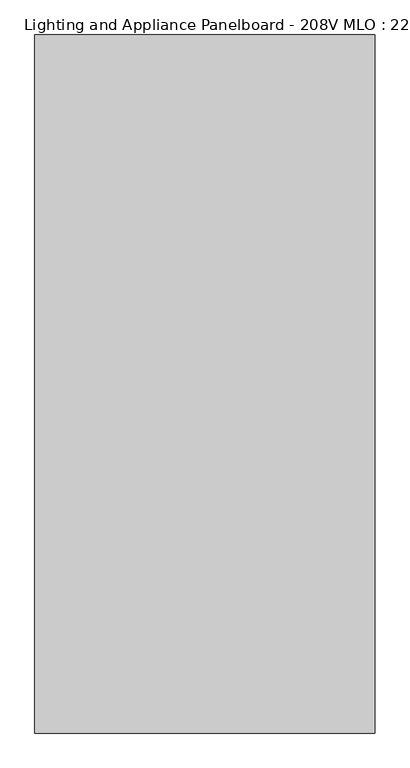
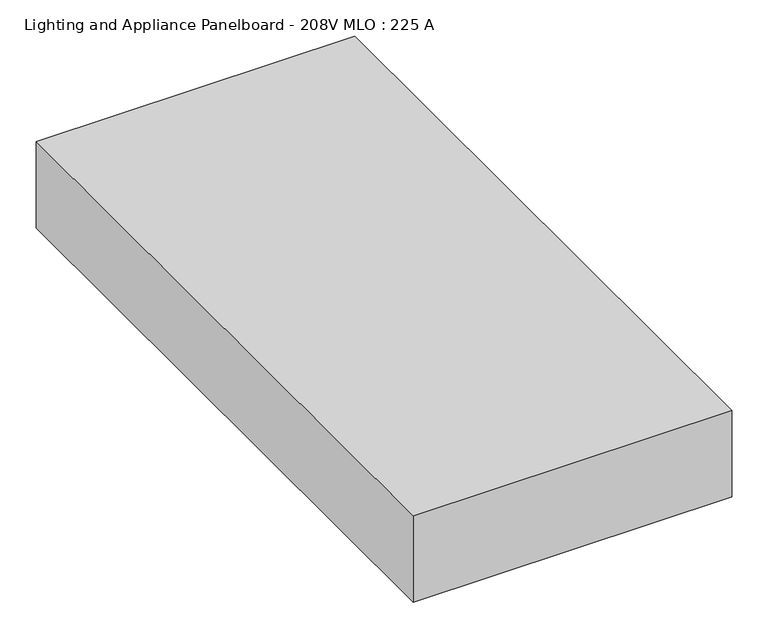
"""IFC4 building model written with IfcOpenShell, lengths in millimetres: proxy geometry, Lighting and Appliance Panelboard - 208V MLO : 225 A."""

from ifc_helpers import new_model, si_unit, frame, origin, place, context, project, spatial, polyline, outline, extrude, source, transform, mapped, element, save


def lighting_and_appliance_panelboard_208v_mlo_225_a_0c94c7fb(model_context):
    return source(origin(), model_context, "Body", "SweptSolid", [
        extrude(outline(polyline([(254.0, 520.7), (254.0, -520.7), (-254.0, -520.7), (-254.0, 520.7), (254.0, 520.7)])), frame((0.0, 0.0, -146.05), z_axis=(0.0, 0.0, 1.0), x_axis=(1.0, 0.0, 0.0)), (0.0, 0.0, 1.0), 146.05),
    ])


if __name__ == "__main__":
    model = new_model("IFC4")
    model_context = context("Model", 3, world=origin())
    ifc_project = project(units=[si_unit("LENGTHUNIT", "METRE", prefix="MILLI")], contexts=[model_context])
    site = spatial("IfcSite", under=ifc_project)
    building = spatial("IfcBuilding", under=site)
    placement = place(None, origin())
    lighting_and_appliance_panelboard_208v_mlo_225_a_shape = lighting_and_appliance_panelboard_208v_mlo_225_a_0c94c7fb(model_context)
    element("IfcBuildingElementProxy", 1, Name="Lighting and Appliance Panelboard - 208V MLO : 225 A", ObjectType="Lighting and Appliance Panelboard - 208V MLO : 225 A", at=placement, inside=building, context=model_context, shape_type="MappedRepresentation", body=[
        mapped(lighting_and_appliance_panelboard_208v_mlo_225_a_shape, transform((0.0, 0.0, 0.0), x_axis=(1.0, 0.0, 0.0), y_axis=(0.0, 1.0, 0.0), z_axis=(0.0, 0.0, 1.0))),
    ])
    save(model, "model.ifc")
